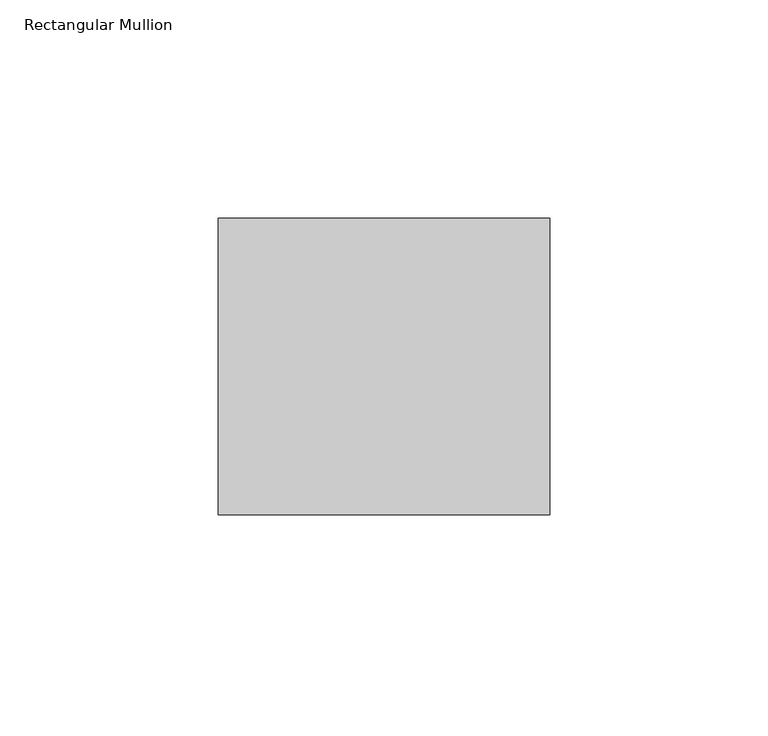
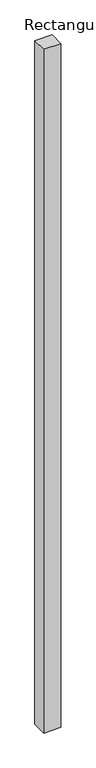
"""IFC4 building model written with IfcOpenShell, lengths in millimetres: member geometry, Rectangular Mullion."""

from ifc_helpers import new_model, si_unit, frame, origin, place, context, project, spatial, polyline, outline, extrude, source, transform, mapped, element, save


def rectangular_mullion_46e90c37(model_context):
    return source(origin(), model_context, "Body", "SweptSolid", [
        extrude(outline(polyline([(38.0, 68.0), (38.0, 0.0), (-38.0, 0.0), (-38.0, 68.0), (38.0, 68.0)])), frame((0.0, 0.0, -3200.0), z_axis=(0.0, 0.0, 1.0), x_axis=(1.0, 0.0, 0.0)), (0.0, 0.0, 1.0), 3200.0),
    ])


if __name__ == "__main__":
    model = new_model("IFC4")
    model_context = context("Model", 3, world=origin())
    ifc_project = project(units=[si_unit("LENGTHUNIT", "METRE", prefix="MILLI")], contexts=[model_context])
    site = spatial("IfcSite", under=ifc_project)
    building = spatial("IfcBuilding", under=site)
    placement = place(None, origin())
    rectangular_mullion_shape = rectangular_mullion_46e90c37(model_context)
    element("IfcMember", 1, ObjectType="Rectangular Mullion", at=placement, inside=building, context=model_context, shape_type="MappedRepresentation", body=[
        mapped(rectangular_mullion_shape, transform((0.0, 0.0, 0.0), x_axis=(1.0, 0.0, 0.0), y_axis=(0.0, 1.0, 0.0), z_axis=(0.0, 0.0, 1.0))),
    ])
    save(model, "model.ifc")
